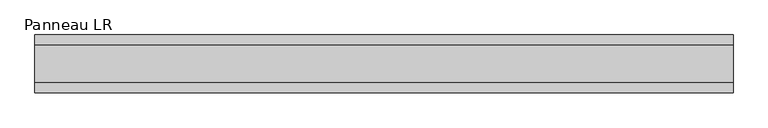
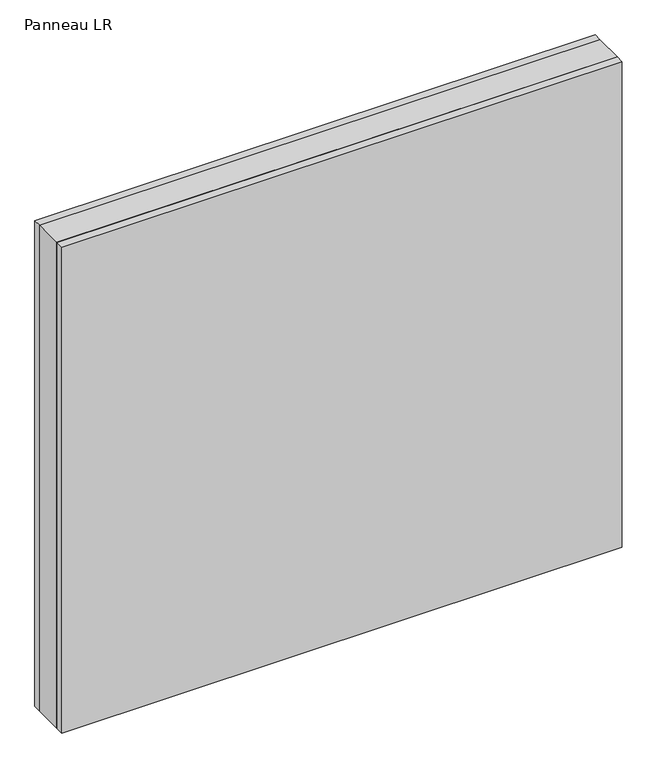
"""IFC4 building model written with IfcOpenShell, lengths in millimetres: plate geometry, Panneau LR."""

from ifc_helpers import new_model, si_unit, origin, origin_with_axes, place, context, project, spatial, polyline, outline, extrude, source, transform, mapped, element, save


def panneau_lr_d5a87241(model_context):
    return source(origin(), model_context, "Body", "SweptSolid", [
        extrude(outline(polyline([(544.1875001, 29.0), (544.1875001, -29.0), (-544.1875001, -29.0), (-544.1875001, 29.0), (544.1875001, 29.0)])), origin_with_axes(), (0.0, 0.0, 1.0), 997.0),
        extrude(outline(polyline([(544.1875001, 45.0), (544.1875001, 29.0), (-544.1875001, 29.0), (-544.1875001, 45.0), (544.1875001, 45.0)])), origin_with_axes(), (0.0, 0.0, 1.0), 997.0),
        extrude(outline(polyline([(-544.1875001, -45.0), (-544.1875001, -29.0), (544.1875001, -29.0), (544.1875001, -45.0), (-544.1875001, -45.0)])), origin_with_axes(), (0.0, 0.0, 1.0), 997.0),
    ])


if __name__ == "__main__":
    model = new_model("IFC4")
    model_context = context("Model", 3, world=origin())
    ifc_project = project(units=[si_unit("LENGTHUNIT", "METRE", prefix="MILLI")], contexts=[model_context])
    site = spatial("IfcSite", under=ifc_project)
    building = spatial("IfcBuilding", under=site)
    placement = place(None, origin())
    panneau_lr_shape = panneau_lr_d5a87241(model_context)
    element("IfcPlate", 1, ObjectType="Panneau LR", at=placement, inside=building, context=model_context, shape_type="MappedRepresentation", body=[
        mapped(panneau_lr_shape, transform((0.0, 0.0, 0.0), x_axis=(1.0, 0.0, 0.0), y_axis=(0.0, 1.0, 0.0), z_axis=(0.0, 0.0, 1.0))),
    ])
    save(model, "model.ifc")
